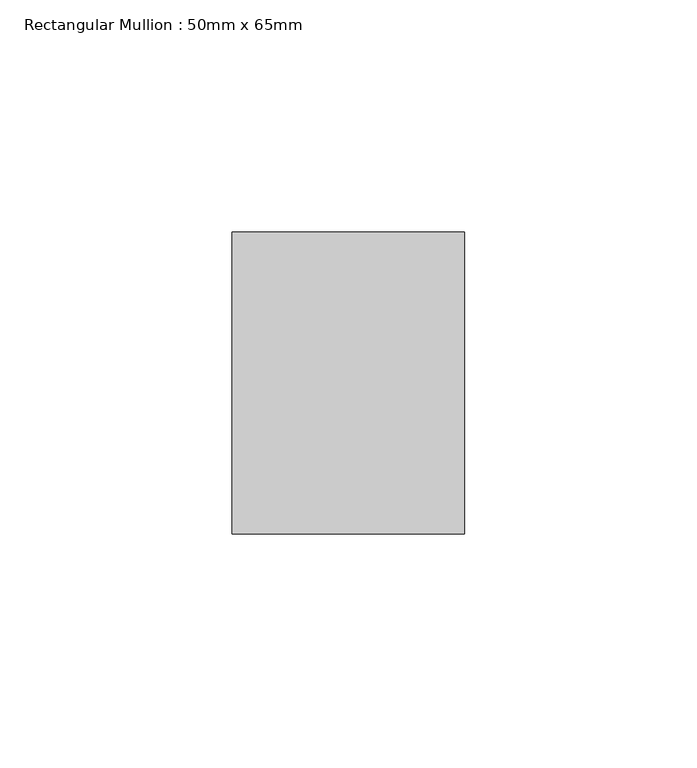
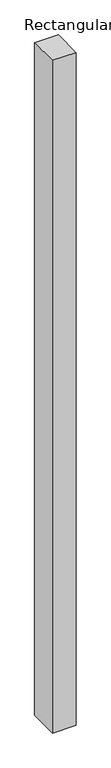
"""IFC4 building model written with IfcOpenShell, lengths in millimetres: member geometry, Rectangular Mullion : 50mm x 65mm."""

from ifc_helpers import new_model, si_unit, origin, place, context, project, spatial, faceted_brep, source, transform, mapped, element, save


def rectangular_mullion_50mm_x_65mm_1fdf85a8(model_context):
    return source(origin(), model_context, "Body", "Brep", [
        faceted_brep([(-25.0, 32.5, -0.0980895), (25.0, 32.5, -0.0980891), (25.0, 32.5, -1499.8163634), (-25.0, 32.5, -1499.8163628), (-25.0, -32.5, 0.0980891), (-25.0, -32.5, -1500.183508), (25.0, -32.5, 0.0980895), (25.0, -32.5, -1500.1835086)], [[[0, 1, 2, 3]], [[4, 0, 3, 5]], [[6, 4, 5, 7]], [[1, 6, 7, 2]], [[1, 0, 4, 6]], [[2, 7, 5, 3]]]),
    ])


if __name__ == "__main__":
    model = new_model("IFC4")
    model_context = context("Model", 3, world=origin())
    ifc_project = project(units=[si_unit("LENGTHUNIT", "METRE", prefix="MILLI")], contexts=[model_context])
    site = spatial("IfcSite", under=ifc_project)
    building = spatial("IfcBuilding", under=site)
    placement = place(None, origin())
    rectangular_mullion_50mm_x_65mm_shape = rectangular_mullion_50mm_x_65mm_1fdf85a8(model_context)
    element("IfcMember", 1, ObjectType="Rectangular Mullion : 50mm x 65mm", at=placement, inside=building, context=model_context, shape_type="MappedRepresentation", body=[
        mapped(rectangular_mullion_50mm_x_65mm_shape, transform((0.0, 0.0, 0.0), x_axis=(1.0, 0.0, 0.0), y_axis=(0.0, 1.0, 0.0), z_axis=(0.0, 0.0, 1.0))),
    ])
    save(model, "model.ifc")
